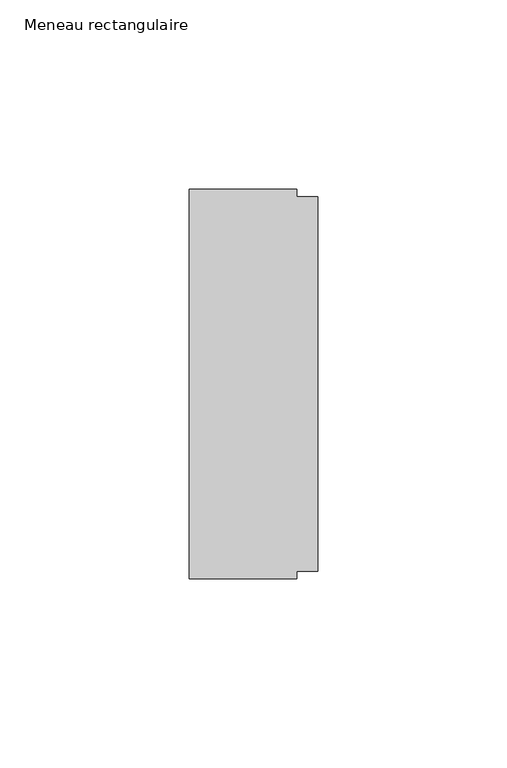
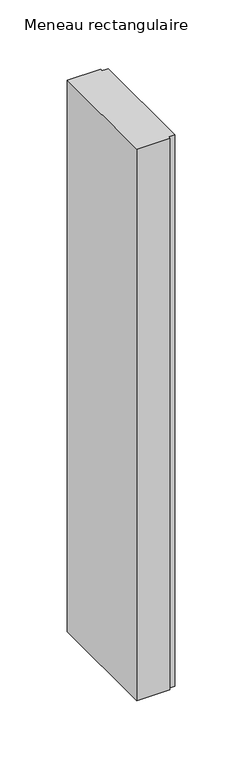
"""IFC4 building model written with IfcOpenShell, lengths in millimetres: member geometry, Meneau rectangulaire."""

from ifc_helpers import new_model, si_unit, frame, origin, place, context, project, spatial, polyline, outline, extrude, source, transform, mapped, element, save


def meneau_rectangulaire_80d5c426(model_context):
    return source(origin(), model_context, "Body", "SweptSolid", [
        extrude(outline(polyline([(0.0, 49.5), (0.0, -49.5), (-5.5, -49.5), (-5.5, -51.5), (-34.0, -51.5), (-34.0, 51.5), (-5.5, 51.5), (-5.5, 49.5), (0.0, 49.5)])), frame((0.0, 0.0, -500.0), z_axis=(0.0, 0.0, 1.0), x_axis=(1.0, 0.0, 0.0)), (0.0, 0.0, 1.0), 500.0),
    ])


if __name__ == "__main__":
    model = new_model("IFC4")
    model_context = context("Model", 3, world=origin())
    ifc_project = project(units=[si_unit("LENGTHUNIT", "METRE", prefix="MILLI")], contexts=[model_context])
    site = spatial("IfcSite", under=ifc_project)
    building = spatial("IfcBuilding", under=site)
    placement = place(None, origin())
    meneau_rectangulaire_shape = meneau_rectangulaire_80d5c426(model_context)
    element("IfcMember", 1, ObjectType="Meneau rectangulaire", at=placement, inside=building, context=model_context, shape_type="MappedRepresentation", body=[
        mapped(meneau_rectangulaire_shape, transform((0.0, 0.0, 0.0), x_axis=(1.0, 0.0, 0.0), y_axis=(0.0, 1.0, 0.0), z_axis=(0.0, 0.0, 1.0))),
    ])
    save(model, "model.ifc")
